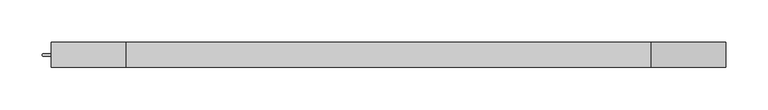
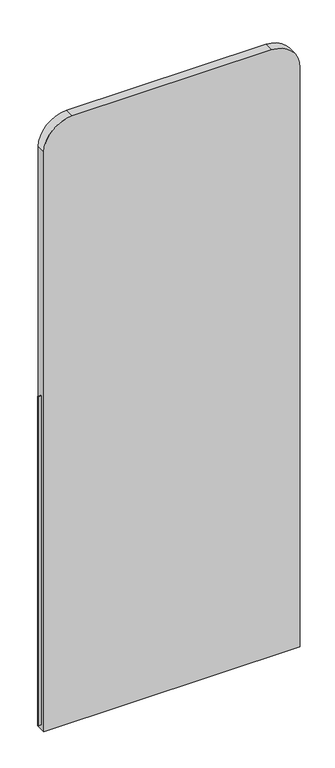
"""IFC4 building model written with IfcOpenShell, lengths in millimetres: furniture geometry."""

from ifc_helpers import new_model, si_unit, point, frame, frame_2d, origin, place, context, project, spatial, polyline, circle_curve, trimmed, segment, composite_curve, outline, extrude, source, transform, mapped, element, save


def furniture_407d3599(model_context):
    return source(origin(), model_context, "Body", "SweptSolid", [
        extrude(outline(composite_curve([segment(polyline([(770.5267621, 45.3925781), (762.8932891, 45.3925781)]), True, "CONTINUOUS"), segment(trimmed(circle_curve(frame_2d((762.8932891, 46.9801212)), 1.5875431), [point((762.8932891, 45.3925781))], [point((762.0995175, 45.6052685))], False, "CARTESIAN"), True, "CONTINUOUS"), segment(trimmed(circle_curve(frame_2d((761.3058479, 46.9801212)), 1.5874921), [point((762.0995175, 45.6052685))], [point((762.0995175, 48.3549738))], False, "CARTESIAN"), True, "CONTINUOUS"), segment(trimmed(circle_curve(frame_2d((762.8932891, 46.9794781)), 1.5881), [point((762.0995175, 48.3549738))], [point((762.8932891, 48.5675782))], False, "CARTESIAN"), True, "CONTINUOUS"), segment(polyline([(762.8932891, 48.5675782), (770.5267621, 48.5675782), (770.5267621, 45.3925781)]), True, "CONTINUOUS")], self_intersect=False)), frame((0.0, 0.0, 14.9999997), z_axis=(0.0, 0.0, 1.0), x_axis=(1.0, 0.0, 0.0)), (0.0, 0.0, 1.0), 1085.0382816),
        extrude(outline(composite_curve([segment(polyline([(0.0, 770.5185539), (0.0, 1570.6185539), (1911.0523438, 1570.6185539)]), True, "CONTINUOUS"), segment(trimmed(circle_curve(frame_2d((1911.0523438, 1481.7185539)), 88.9), [point((1911.0523438, 1570.6185539))], [point((1999.9523438, 1481.7185539))], False, "CARTESIAN"), True, "CONTINUOUS"), segment(polyline([(1999.9523438, 1481.7185539), (1999.9523438, 859.4185539)]), True, "CONTINUOUS"), segment(trimmed(circle_curve(frame_2d((1911.0523438, 859.4185539)), 88.9), [point((1999.9523438, 859.4185539))], [point((1911.0523438, 770.5185539))], False, "CARTESIAN"), True, "CONTINUOUS"), segment(polyline([(1911.0523438, 770.5185539), (0.0, 770.5185539)]), True, "CONTINUOUS")], self_intersect=False)), frame((0.0, 31.9980469, 0.0), z_axis=(0.0, 1.0, 0.0), x_axis=(0.0, 0.0, 1.0)), (0.0, 0.0, 1.0), 29.9640625),
    ])


if __name__ == "__main__":
    model = new_model("IFC4")
    model_context = context("Model", 3, world=origin())
    ifc_project = project(units=[si_unit("LENGTHUNIT", "METRE", prefix="MILLI")], contexts=[model_context])
    site = spatial("IfcSite", under=ifc_project)
    building = spatial("IfcBuilding", under=site)
    placement = place(None, origin())
    furniture_shape = furniture_407d3599(model_context)
    element("IfcFurniture", 1, at=placement, inside=building, context=model_context, shape_type="MappedRepresentation", body=[
        mapped(furniture_shape, transform((0.0, 0.0, 0.0), x_axis=(1.0, 0.0, 0.0), y_axis=(0.0, 1.0, 0.0), z_axis=(0.0, 0.0, 1.0))),
    ])
    save(model, "model.ifc")
